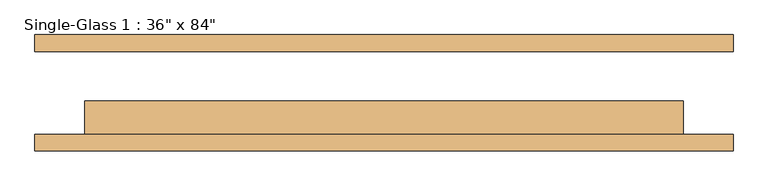
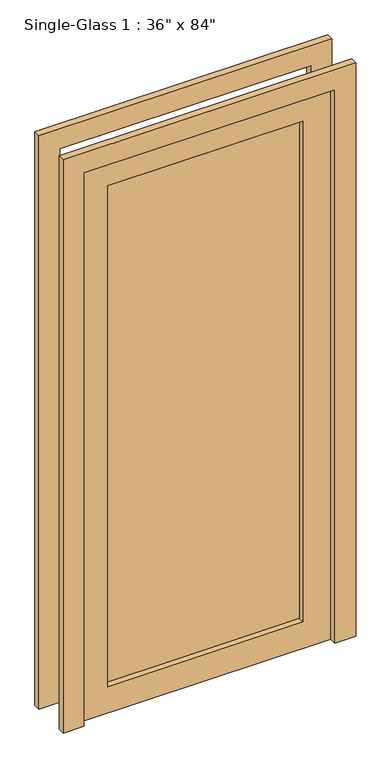
"""IFC4 building model written with IfcOpenShell, lengths in millimetres: door geometry."""

import ifcopenshell
import ifcopenshell.guid

model = None  # the IFC model being written
_history = None  # IfcOwnerHistory: only IFC2X3 demands one
_inside = {}  # id of a spatial element -> (the spatial element, [elements in it])
_under = {}  # id of a project, library or spatial element -> (it, [spatial elements below it])
_declared = {}  # id of a project -> (the project, [libraries it declares])
_typed = {}  # id of a type object -> (the type object, [elements of that type])
_made_of = {}  # id of a material, layer set ... -> (it, [elements and type objects made of it])


def new_model(schema):
    """Start an empty IFC model of exactly this schema.

    Asked for "IFC4X3", IfcOpenShell would pick the latest addendum, in which some entities
    have other attributes; the version numbers below select the first issue.
    IFC2X3 requires an IfcOwnerHistory on every rooted entity: one is made here for all.
    """
    global model, _history
    if schema == "IFC4X3":
        model = ifcopenshell.file(schema_version=(4, 3, 0, 0))
    else:
        model = ifcopenshell.file(schema=schema)
    _inside.clear()
    _under.clear()
    _declared.clear()
    _typed.clear()
    _made_of.clear()
    _history = None
    if model.schema == "IFC2X3":
        org = make("IfcOrganization", Name="unknown")
        user = make(
            "IfcPersonAndOrganization",
            ThePerson=make("IfcPerson", FamilyName="unknown"),
            TheOrganization=org,
        )
        app = make(
            "IfcApplication",
            ApplicationDeveloper=org,
            Version="unknown",
            ApplicationFullName="unknown",
            ApplicationIdentifier="unknown",
        )
        _history = make(
            "IfcOwnerHistory",
            OwningUser=user,
            OwningApplication=app,
            ChangeAction="ADDED",
            CreationDate=0,
        )
    return model


def make(cls, **values):
    """One entity of the class cls with the attributes given. An attribute that is None is left unset."""
    return model.create_entity(
        cls, **{name: value for name, value in values.items() if value is not None}
    )


def rooted(cls, **values):
    """An entity with a GlobalId (a new one), such as an element, a storey or a relation."""
    return make(cls, GlobalId=ifcopenshell.guid.new(), OwnerHistory=_history, **values)


def si_unit(unit_type, name, prefix=None):
    """IfcSIUnit, for example si_unit("LENGTHUNIT", "METRE", prefix="MILLI")."""
    return make("IfcSIUnit", UnitType=unit_type, Prefix=prefix, Name=name)


def assignment(units):
    """IfcUnitAssignment: the units of a project."""
    return None if units is None else make("IfcUnitAssignment", Units=units)


def point(xyz):
    """IfcCartesianPoint."""
    return None if xyz is None else make("IfcCartesianPoint", Coordinates=xyz)


def direction(xyz):
    """IfcDirection."""
    return None if xyz is None else make("IfcDirection", DirectionRatios=xyz)


def frame(location, z_axis=None, x_axis=None):
    """IfcAxis2Placement3D, a coordinate frame: its origin and axes. An axis left out is left unset."""
    return make(
        "IfcAxis2Placement3D",
        Location=point(location),
        Axis=direction(z_axis),
        RefDirection=direction(x_axis),
    )


def origin():
    """The frame at (0, 0, 0) with its axes left unset."""
    return frame((0.0, 0.0, 0.0))


def place(relative_to, where):
    """IfcLocalPlacement: puts the frame where relative to a parent placement (None: the world)."""
    return make(
        "IfcLocalPlacement", PlacementRelTo=relative_to, RelativePlacement=where
    )


def context(
    kind, dimensions, precision=None, world=None, true_north=None, identifier=None
):
    """IfcGeometricRepresentationContext, for example the 3D "Model" context."""
    return make(
        "IfcGeometricRepresentationContext",
        ContextIdentifier=identifier,
        ContextType=kind,
        CoordinateSpaceDimension=dimensions,
        Precision=precision,
        WorldCoordinateSystem=world,
        TrueNorth=true_north,
    )


def project(units=None, contexts=None):
    """IfcProject with its units and contexts."""
    return rooted(
        "IfcProject",
        Name="project",
        RepresentationContexts=contexts,
        UnitsInContext=assignment(units),
    )


def spatial(cls, under=None, at=None, **own):
    """A site, building, storey or space (cls), placed at a placement, below another one or the project."""
    s = rooted(cls, ObjectPlacement=at, **own)
    if under is not None:
        _under.setdefault(under.id(), (under, []))[1].append(s)
    return s


def polyline(points):
    """IfcPolyline through the points."""
    return make("IfcPolyline", Points=[point(p) for p in points])


def outline(outer, holes=None, kind="AREA"):
    """IfcArbitraryClosedProfileDef: a profile drawn as a closed curve; with holes, ...WithVoids."""
    if holes is None:
        return make("IfcArbitraryClosedProfileDef", ProfileType=kind, OuterCurve=outer)
    return make(
        "IfcArbitraryProfileDefWithVoids",
        ProfileType=kind,
        OuterCurve=outer,
        InnerCurves=holes,
    )


def extrude(swept, where, along, depth):
    """IfcExtrudedAreaSolid: the profile swept, set in the frame where, extruded along a direction by depth."""
    return make(
        "IfcExtrudedAreaSolid",
        SweptArea=swept,
        Position=where,
        ExtrudedDirection=direction(along),
        Depth=depth,
    )


def shape(context_of_items, identifier, shape_type, items):
    """IfcShapeRepresentation: the items that make up one representation, for example the "Body"."""
    return make(
        "IfcShapeRepresentation",
        ContextOfItems=context_of_items,
        RepresentationIdentifier=identifier,
        RepresentationType=shape_type,
        Items=items,
    )


def source(mapping_origin, context_of_items, identifier, shape_type, items):
    """IfcRepresentationMap: a shape defined once, which mapped items show again and again."""
    return make(
        "IfcRepresentationMap",
        MappingOrigin=mapping_origin,
        MappedRepresentation=shape(context_of_items, identifier, shape_type, items),
    )


def transform(
    local_origin,
    x_axis=None,
    y_axis=None,
    z_axis=None,
    scale=None,
    scale2=None,
    scale3=None,
    uniform=True,
):
    """IfcCartesianTransformationOperator3D, or its non-uniform kind. x_axis, y_axis, z_axis: its Axis1, 2, 3."""
    if uniform:
        return make(
            "IfcCartesianTransformationOperator3D",
            Axis1=direction(x_axis),
            Axis2=direction(y_axis),
            LocalOrigin=point(local_origin),
            Scale=scale,
            Axis3=direction(z_axis),
        )
    return make(
        "IfcCartesianTransformationOperator3DnonUniform",
        Axis1=direction(x_axis),
        Axis2=direction(y_axis),
        LocalOrigin=point(local_origin),
        Scale=scale,
        Axis3=direction(z_axis),
        Scale2=scale2,
        Scale3=scale3,
    )


def mapped(mapping_source, mapping_target):
    """IfcMappedItem: shows the shape of a source again, moved by a transform."""
    return make(
        "IfcMappedItem", MappingSource=mapping_source, MappingTarget=mapping_target
    )


def made_of(thing, what):
    """Note that an element or type object is made of a material, layer set ...; save() writes the relation."""
    if what is not None:
        _made_of.setdefault(what.id(), (what, []))[1].append(thing)
    return thing


def element(
    cls,
    number,
    at=None,
    inside=None,
    cuts=None,
    type_object=None,
    material=None,
    context=None,
    identifier="Body",
    shape_type=None,
    held_by="IfcProductDefinitionShape",
    body=None,
    shapes=None,
    **own,
):
    """One element of the class cls, such as IfcWall. Its Tag is "e" and its number.

    at: its placement. inside: the storey or other place that contains it. cuts: it is an
    opening in that element (IfcRelVoidsElement). A single representation is given by context,
    identifier, shape_type and body (its items); several are given by shapes. held_by: the class
    of the entity that holds the representations. save() writes the other relations.
    """
    e = rooted(cls, Tag="e%d" % number, ObjectPlacement=at, **own)
    if body is not None:
        shapes = [shape(context, identifier, shape_type, body)]
    if shapes is not None:
        e.Representation = make(held_by, Representations=shapes)
    if inside is not None:
        _inside.setdefault(inside.id(), (inside, []))[1].append(e)
    if cuts is not None:
        rooted(
            "IfcRelVoidsElement", RelatingBuildingElement=cuts, RelatedOpeningElement=e
        )
    if type_object is not None:
        _typed.setdefault(type_object.id(), (type_object, []))[1].append(e)
    return made_of(e, material)


def aggregate(whole, parts):
    """IfcRelAggregates: a whole, such as a stair, and the parts it consists of."""
    return rooted("IfcRelAggregates", RelatingObject=whole, RelatedObjects=parts)


def save(model, path):
    """Write the relations noted so far, then the file.

    IfcRelAggregates (storeys below a building ...), IfcRelContainedInSpatialStructure (elements
    in a storey), IfcRelDefinesByType, IfcRelAssociatesMaterial and IfcRelDeclares: one each for
    every whole, place, type object, material and project.
    """
    for whole, parts in _under.values():
        aggregate(whole, parts)
    for where, things in _inside.values():
        rooted(
            "IfcRelContainedInSpatialStructure",
            RelatedElements=things,
            RelatingStructure=where,
        )
    for kind, things in _typed.values():
        rooted("IfcRelDefinesByType", RelatedObjects=things, RelatingType=kind)
    for what, things in _made_of.values():
        rooted("IfcRelAssociatesMaterial", RelatedObjects=things, RelatingMaterial=what)
    for by, libraries in _declared.values():
        rooted("IfcRelDeclares", RelatingContext=by, RelatedDefinitions=libraries)
    model.write(path)


def door_df34b78b(model_context):
    return source(origin(), model_context, "Body", "SweptSolid", [
        extrude(outline(polyline([(2133.6, 457.2), (0.0, 457.2), (0.0, 533.4), (2209.8, 533.4), (2209.8, -533.4), (0.0, -533.4), (0.0, -457.2), (2133.6, -457.2), (2133.6, 457.2)])), frame((0.0, 63.5, 0.0), z_axis=(0.0, 1.0, 0.0), x_axis=(0.0, 0.0, 1.0)), (0.0, 0.0, 1.0), 25.4),
        extrude(outline(polyline([(2133.6, 457.2), (0.0, 457.2), (0.0, 533.4), (2209.8, 533.4), (2209.8, -533.4), (0.0, -533.4), (0.0, -457.2), (2133.6, -457.2), (2133.6, 457.2)])), frame((0.0, -88.9, 0.0), z_axis=(0.0, 1.0, 0.0), x_axis=(0.0, 0.0, 1.0)), (0.0, 0.0, 1.0), 25.4),
        extrude(outline(polyline([(355.6, -34.925), (355.6, -41.275), (-355.6, -41.275), (-355.6, -34.925), (355.6, -34.925)])), frame((0.0, 0.0, 101.6), z_axis=(0.0, 0.0, 1.0), x_axis=(1.0, 0.0, 0.0)), (0.0, 0.0, 1.0), 1930.4),
        extrude(outline(polyline([(2133.6, 457.2), (2133.6, -457.2), (0.0, -457.2), (0.0, 457.2), (2133.6, 457.2)]), holes=[polyline([(2032.0, -355.6), (2032.0, 355.6), (101.6, 355.6), (101.6, -355.6), (2032.0, -355.6)])]), frame((0.0, -63.5, 0.0), z_axis=(0.0, 1.0, 0.0), x_axis=(0.0, 0.0, 1.0)), (0.0, 0.0, 1.0), 50.8),
    ])


if __name__ == "__main__":
    model = new_model("IFC4")
    model_context = context("Model", 3, world=origin())
    ifc_project = project(units=[si_unit("LENGTHUNIT", "METRE", prefix="MILLI")], contexts=[model_context])
    site = spatial("IfcSite", under=ifc_project)
    building = spatial("IfcBuilding", under=site)
    placement = place(None, origin())
    door_shape = door_df34b78b(model_context)
    element("IfcDoor", 1, ObjectType="Single-Glass 1 : 36\" x 84\"", at=placement, inside=building, context=model_context, shape_type="MappedRepresentation", body=[
        mapped(door_shape, transform((0.0, 0.0, 0.0), x_axis=(1.0, 0.0, 0.0), y_axis=(0.0, 1.0, 0.0), z_axis=(0.0, 0.0, 1.0))),
    ])
    save(model, "model.ifc")
